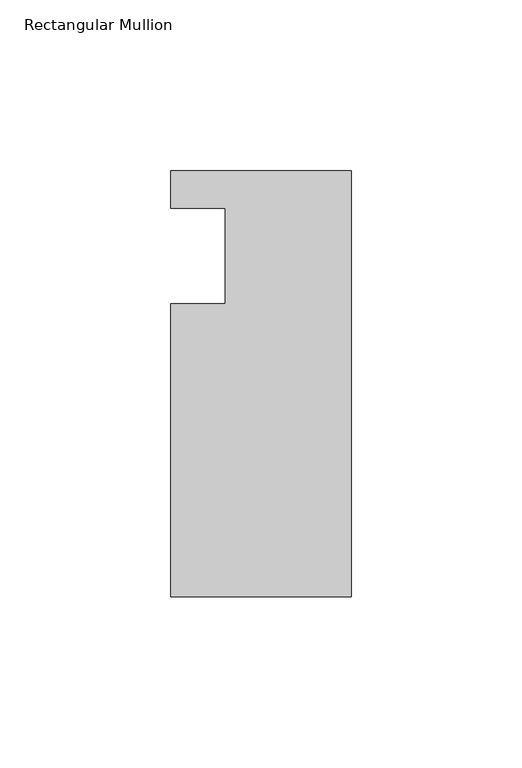
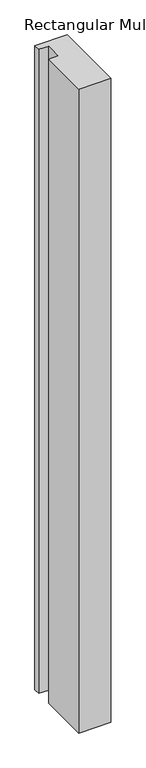
"""IFC4 building model written with IfcOpenShell, lengths in millimetres: member geometry, Rectangular Mullion."""

from ifc_helpers import new_model, si_unit, frame, origin, place, context, project, spatial, polyline, outline, extrude, source, transform, mapped, element, save


def rectangular_mullion_3a554570(model_context):
    return source(origin(), model_context, "Body", "SweptSolid", [
        extrude(outline(polyline([(0.0, 25.0), (0.0, -100.0), (-53.0, -100.0), (-53.0, -13.9998907), (-37.0, -13.9998907), (-37.0, 14.0), (-53.0, 14.0), (-53.0, 25.0), (0.0, 25.0)])), frame((0.0, 0.0, -1124.0099627), z_axis=(0.0, 0.0, 1.0), x_axis=(1.0, 0.0, 0.0)), (0.0, 0.0, 1.0), 1124.0099627),
    ])


if __name__ == "__main__":
    model = new_model("IFC4")
    model_context = context("Model", 3, world=origin())
    ifc_project = project(units=[si_unit("LENGTHUNIT", "METRE", prefix="MILLI")], contexts=[model_context])
    site = spatial("IfcSite", under=ifc_project)
    building = spatial("IfcBuilding", under=site)
    placement = place(None, origin())
    rectangular_mullion_shape = rectangular_mullion_3a554570(model_context)
    element("IfcMember", 1, ObjectType="Rectangular Mullion", at=placement, inside=building, context=model_context, shape_type="MappedRepresentation", body=[
        mapped(rectangular_mullion_shape, transform((0.0, 0.0, 0.0), x_axis=(1.0, 0.0, 0.0), y_axis=(0.0, 1.0, 0.0), z_axis=(0.0, 0.0, 1.0))),
    ])
    save(model, "model.ifc")
